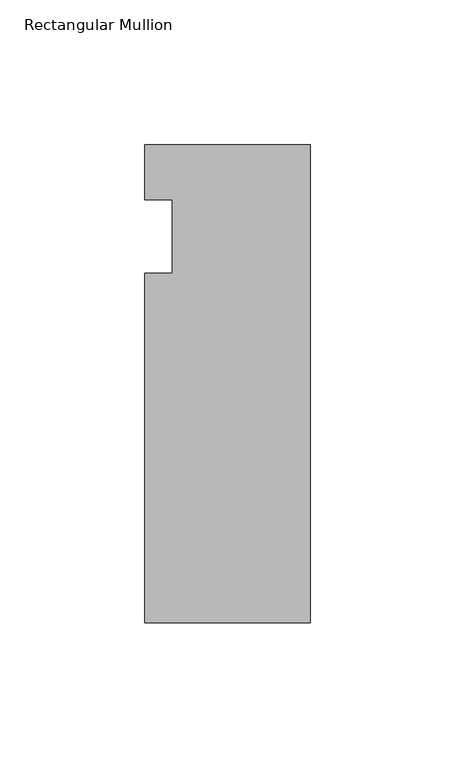
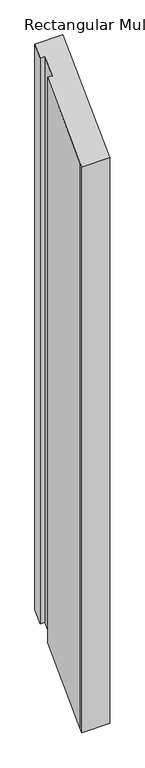
"""IFC4 building model written with IfcOpenShell, lengths in millimetres: member geometry, Rectangular Mullion."""

from ifc_helpers import new_model, si_unit, origin, place, context, project, spatial, faceted_brep, source, transform, mapped, element, save


def rectangular_mullion_5096dd36(model_context):
    return source(origin(), model_context, "Body", "Brep", [
        faceted_brep([(0.0, -146.05, -146.05), (-57.15, -146.05, -146.05), (-57.15, -146.05, -1365.25), (0.0, -146.05, -1365.25), (0.0, 19.05, 19.05), (0.0, 19.05, -1200.15), (-57.15, 19.05, 19.05), (-57.15, 19.05, -1200.15), (-57.15, 0.0, 0.0), (-57.15, 0.0, -1219.2), (-47.6232296, 0.0, 0.0), (-47.6232296, 0.0, -1219.2), (-47.6232296, -25.4, -25.4), (-47.6232296, -25.4, -1244.6), (-57.15, -25.4, -25.4), (-57.15, -25.4, -1244.6), (-57.15, -139.7, -139.7), (-57.15, -139.7, -1358.9)], [[[0, 1, 2, 3]], [[4, 0, 3, 5]], [[6, 4, 5, 7]], [[8, 6, 7, 9]], [[10, 8, 9, 11]], [[12, 10, 11, 13]], [[14, 12, 13, 15]], [[16, 14, 15, 17]], [[1, 16, 17, 2]], [[1, 0, 4, 6, 8, 10, 12, 14, 16]], [[2, 17, 15, 13, 11, 9, 7, 5, 3]]]),
    ])


if __name__ == "__main__":
    model = new_model("IFC4")
    model_context = context("Model", 3, world=origin())
    ifc_project = project(units=[si_unit("LENGTHUNIT", "METRE", prefix="MILLI")], contexts=[model_context])
    site = spatial("IfcSite", under=ifc_project)
    building = spatial("IfcBuilding", under=site)
    placement = place(None, origin())
    rectangular_mullion_shape = rectangular_mullion_5096dd36(model_context)
    element("IfcMember", 1, ObjectType="Rectangular Mullion", at=placement, inside=building, context=model_context, shape_type="MappedRepresentation", body=[
        mapped(rectangular_mullion_shape, transform((0.0, 0.0, 0.0), x_axis=(1.0, 0.0, 0.0), y_axis=(0.0, 1.0, 0.0), z_axis=(0.0, 0.0, 1.0))),
    ])
    save(model, "model.ifc")
